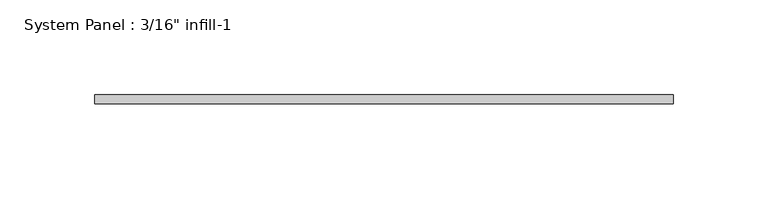
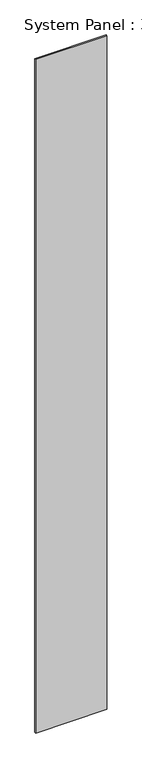
"""IFC4 building model written with IfcOpenShell, lengths in millimetres: plate geometry."""

import ifcopenshell
import ifcopenshell.guid

model = None  # the IFC model being written
_history = None  # IfcOwnerHistory: only IFC2X3 demands one
_inside = {}  # id of a spatial element -> (the spatial element, [elements in it])
_under = {}  # id of a project, library or spatial element -> (it, [spatial elements below it])
_declared = {}  # id of a project -> (the project, [libraries it declares])
_typed = {}  # id of a type object -> (the type object, [elements of that type])
_made_of = {}  # id of a material, layer set ... -> (it, [elements and type objects made of it])


def new_model(schema):
    """Start an empty IFC model of exactly this schema.

    Asked for "IFC4X3", IfcOpenShell would pick the latest addendum, in which some entities
    have other attributes; the version numbers below select the first issue.
    IFC2X3 requires an IfcOwnerHistory on every rooted entity: one is made here for all.
    """
    global model, _history
    if schema == "IFC4X3":
        model = ifcopenshell.file(schema_version=(4, 3, 0, 0))
    else:
        model = ifcopenshell.file(schema=schema)
    _inside.clear()
    _under.clear()
    _declared.clear()
    _typed.clear()
    _made_of.clear()
    _history = None
    if model.schema == "IFC2X3":
        org = make("IfcOrganization", Name="unknown")
        user = make(
            "IfcPersonAndOrganization",
            ThePerson=make("IfcPerson", FamilyName="unknown"),
            TheOrganization=org,
        )
        app = make(
            "IfcApplication",
            ApplicationDeveloper=org,
            Version="unknown",
            ApplicationFullName="unknown",
            ApplicationIdentifier="unknown",
        )
        _history = make(
            "IfcOwnerHistory",
            OwningUser=user,
            OwningApplication=app,
            ChangeAction="ADDED",
            CreationDate=0,
        )
    return model


def make(cls, **values):
    """One entity of the class cls with the attributes given. An attribute that is None is left unset."""
    return model.create_entity(
        cls, **{name: value for name, value in values.items() if value is not None}
    )


def rooted(cls, **values):
    """An entity with a GlobalId (a new one), such as an element, a storey or a relation."""
    return make(cls, GlobalId=ifcopenshell.guid.new(), OwnerHistory=_history, **values)


def si_unit(unit_type, name, prefix=None):
    """IfcSIUnit, for example si_unit("LENGTHUNIT", "METRE", prefix="MILLI")."""
    return make("IfcSIUnit", UnitType=unit_type, Prefix=prefix, Name=name)


def assignment(units):
    """IfcUnitAssignment: the units of a project."""
    return None if units is None else make("IfcUnitAssignment", Units=units)


def point(xyz):
    """IfcCartesianPoint."""
    return None if xyz is None else make("IfcCartesianPoint", Coordinates=xyz)


def direction(xyz):
    """IfcDirection."""
    return None if xyz is None else make("IfcDirection", DirectionRatios=xyz)


def frame(location, z_axis=None, x_axis=None):
    """IfcAxis2Placement3D, a coordinate frame: its origin and axes. An axis left out is left unset."""
    return make(
        "IfcAxis2Placement3D",
        Location=point(location),
        Axis=direction(z_axis),
        RefDirection=direction(x_axis),
    )


def origin():
    """The frame at (0, 0, 0) with its axes left unset."""
    return frame((0.0, 0.0, 0.0))


def origin_with_axes():
    """The frame at (0, 0, 0) with the z axis (0, 0, 1) and the x axis (1, 0, 0) written out."""
    return frame((0.0, 0.0, 0.0), z_axis=(0.0, 0.0, 1.0), x_axis=(1.0, 0.0, 0.0))


def place(relative_to, where):
    """IfcLocalPlacement: puts the frame where relative to a parent placement (None: the world)."""
    return make(
        "IfcLocalPlacement", PlacementRelTo=relative_to, RelativePlacement=where
    )


def context(
    kind, dimensions, precision=None, world=None, true_north=None, identifier=None
):
    """IfcGeometricRepresentationContext, for example the 3D "Model" context."""
    return make(
        "IfcGeometricRepresentationContext",
        ContextIdentifier=identifier,
        ContextType=kind,
        CoordinateSpaceDimension=dimensions,
        Precision=precision,
        WorldCoordinateSystem=world,
        TrueNorth=true_north,
    )


def project(units=None, contexts=None):
    """IfcProject with its units and contexts."""
    return rooted(
        "IfcProject",
        Name="project",
        RepresentationContexts=contexts,
        UnitsInContext=assignment(units),
    )


def spatial(cls, under=None, at=None, **own):
    """A site, building, storey or space (cls), placed at a placement, below another one or the project."""
    s = rooted(cls, ObjectPlacement=at, **own)
    if under is not None:
        _under.setdefault(under.id(), (under, []))[1].append(s)
    return s


def polyline(points):
    """IfcPolyline through the points."""
    return make("IfcPolyline", Points=[point(p) for p in points])


def outline(outer, holes=None, kind="AREA"):
    """IfcArbitraryClosedProfileDef: a profile drawn as a closed curve; with holes, ...WithVoids."""
    if holes is None:
        return make("IfcArbitraryClosedProfileDef", ProfileType=kind, OuterCurve=outer)
    return make(
        "IfcArbitraryProfileDefWithVoids",
        ProfileType=kind,
        OuterCurve=outer,
        InnerCurves=holes,
    )


def extrude(swept, where, along, depth):
    """IfcExtrudedAreaSolid: the profile swept, set in the frame where, extruded along a direction by depth."""
    return make(
        "IfcExtrudedAreaSolid",
        SweptArea=swept,
        Position=where,
        ExtrudedDirection=direction(along),
        Depth=depth,
    )


def shape(context_of_items, identifier, shape_type, items):
    """IfcShapeRepresentation: the items that make up one representation, for example the "Body"."""
    return make(
        "IfcShapeRepresentation",
        ContextOfItems=context_of_items,
        RepresentationIdentifier=identifier,
        RepresentationType=shape_type,
        Items=items,
    )


def source(mapping_origin, context_of_items, identifier, shape_type, items):
    """IfcRepresentationMap: a shape defined once, which mapped items show again and again."""
    return make(
        "IfcRepresentationMap",
        MappingOrigin=mapping_origin,
        MappedRepresentation=shape(context_of_items, identifier, shape_type, items),
    )


def transform(
    local_origin,
    x_axis=None,
    y_axis=None,
    z_axis=None,
    scale=None,
    scale2=None,
    scale3=None,
    uniform=True,
):
    """IfcCartesianTransformationOperator3D, or its non-uniform kind. x_axis, y_axis, z_axis: its Axis1, 2, 3."""
    if uniform:
        return make(
            "IfcCartesianTransformationOperator3D",
            Axis1=direction(x_axis),
            Axis2=direction(y_axis),
            LocalOrigin=point(local_origin),
            Scale=scale,
            Axis3=direction(z_axis),
        )
    return make(
        "IfcCartesianTransformationOperator3DnonUniform",
        Axis1=direction(x_axis),
        Axis2=direction(y_axis),
        LocalOrigin=point(local_origin),
        Scale=scale,
        Axis3=direction(z_axis),
        Scale2=scale2,
        Scale3=scale3,
    )


def mapped(mapping_source, mapping_target):
    """IfcMappedItem: shows the shape of a source again, moved by a transform."""
    return make(
        "IfcMappedItem", MappingSource=mapping_source, MappingTarget=mapping_target
    )


def made_of(thing, what):
    """Note that an element or type object is made of a material, layer set ...; save() writes the relation."""
    if what is not None:
        _made_of.setdefault(what.id(), (what, []))[1].append(thing)
    return thing


def element(
    cls,
    number,
    at=None,
    inside=None,
    cuts=None,
    type_object=None,
    material=None,
    context=None,
    identifier="Body",
    shape_type=None,
    held_by="IfcProductDefinitionShape",
    body=None,
    shapes=None,
    **own,
):
    """One element of the class cls, such as IfcWall. Its Tag is "e" and its number.

    at: its placement. inside: the storey or other place that contains it. cuts: it is an
    opening in that element (IfcRelVoidsElement). A single representation is given by context,
    identifier, shape_type and body (its items); several are given by shapes. held_by: the class
    of the entity that holds the representations. save() writes the other relations.
    """
    e = rooted(cls, Tag="e%d" % number, ObjectPlacement=at, **own)
    if body is not None:
        shapes = [shape(context, identifier, shape_type, body)]
    if shapes is not None:
        e.Representation = make(held_by, Representations=shapes)
    if inside is not None:
        _inside.setdefault(inside.id(), (inside, []))[1].append(e)
    if cuts is not None:
        rooted(
            "IfcRelVoidsElement", RelatingBuildingElement=cuts, RelatedOpeningElement=e
        )
    if type_object is not None:
        _typed.setdefault(type_object.id(), (type_object, []))[1].append(e)
    return made_of(e, material)


def aggregate(whole, parts):
    """IfcRelAggregates: a whole, such as a stair, and the parts it consists of."""
    return rooted("IfcRelAggregates", RelatingObject=whole, RelatedObjects=parts)


def save(model, path):
    """Write the relations noted so far, then the file.

    IfcRelAggregates (storeys below a building ...), IfcRelContainedInSpatialStructure (elements
    in a storey), IfcRelDefinesByType, IfcRelAssociatesMaterial and IfcRelDeclares: one each for
    every whole, place, type object, material and project.
    """
    for whole, parts in _under.values():
        aggregate(whole, parts)
    for where, things in _inside.values():
        rooted(
            "IfcRelContainedInSpatialStructure",
            RelatedElements=things,
            RelatingStructure=where,
        )
    for kind, things in _typed.values():
        rooted("IfcRelDefinesByType", RelatedObjects=things, RelatingType=kind)
    for what, things in _made_of.values():
        rooted("IfcRelAssociatesMaterial", RelatedObjects=things, RelatingMaterial=what)
    for by, libraries in _declared.values():
        rooted("IfcRelDeclares", RelatingContext=by, RelatedDefinitions=libraries)
    model.write(path)


def plate_bcce8402(model_context):
    return source(origin(), model_context, "Body", "SweptSolid", [
        extrude(outline(polyline([(152.4, -24.5070313), (-152.4, -24.5070313), (-152.4, -19.7445312), (152.4, -19.7445312), (152.4, -24.5070313)])), origin_with_axes(), (0.0, 0.0, 1.0), 3048.0),
    ])


if __name__ == "__main__":
    model = new_model("IFC4")
    model_context = context("Model", 3, world=origin())
    ifc_project = project(units=[si_unit("LENGTHUNIT", "METRE", prefix="MILLI")], contexts=[model_context])
    site = spatial("IfcSite", under=ifc_project)
    building = spatial("IfcBuilding", under=site)
    placement = place(None, origin())
    plate_shape = plate_bcce8402(model_context)
    element("IfcPlate", 1, ObjectType="System Panel : 3/16\" infill-1", at=placement, inside=building, context=model_context, shape_type="MappedRepresentation", body=[
        mapped(plate_shape, transform((0.0, 0.0, 0.0), x_axis=(1.0, 0.0, 0.0), y_axis=(0.0, 1.0, 0.0), z_axis=(0.0, 0.0, 1.0))),
    ])
    save(model, "model.ifc")
